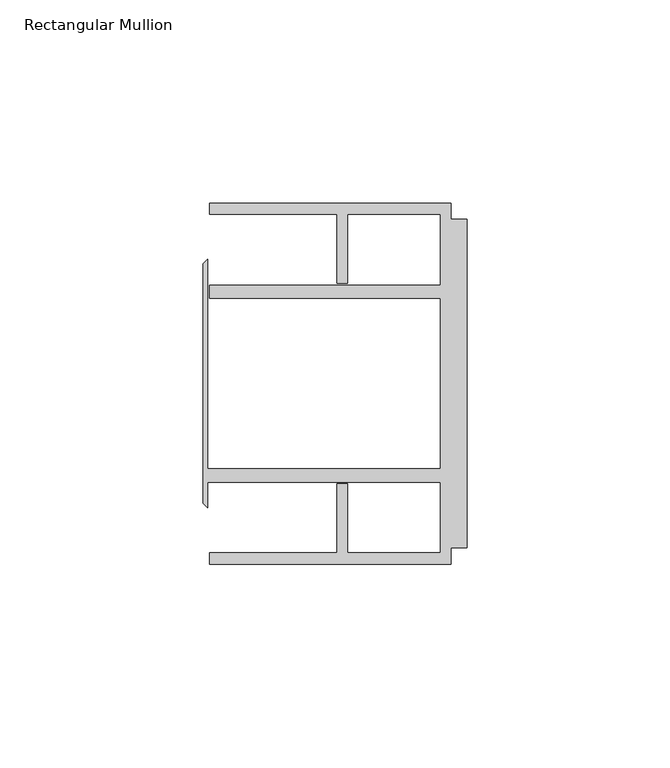
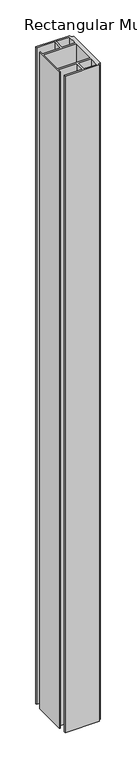
"""IFC4 building model written with IfcOpenShell, lengths in millimetres: member geometry, Rectangular Mullion."""

from ifc_helpers import new_model, si_unit, frame, origin, place, context, project, spatial, polyline, outline, extrude, source, transform, mapped, element, save


def rectangular_mullion_4d4c47f5(model_context):
    return source(origin(), model_context, "Body", "SweptSolid", [
        extrude(outline(polyline([(-4.0000001, 44.45), (-4.0000001, 40.4500013), (0.0, 40.4500013), (0.0, -40.4500013), (-4.0000001, -40.4500013), (-4.0000001, -44.45), (-63.5, -44.45), (-63.5, -41.6500013), (-32.0000002, -41.6500013), (-32.0000002, -24.6468758), (-29.4000001, -24.6468758), (-29.4000001, -41.6500013), (-6.6000002, -41.6500013), (-6.6000002, -24.2500008), (-63.9424102, -24.2500008), (-63.9424102, -30.6159585), (-65.0875, -29.4708687), (-65.0875, 29.4708687), (-63.9424102, 30.6159585), (-63.9424102, -20.9500007), (-6.6000002, -20.9500007), (-6.6000002, 20.9500007), (-63.5, 20.9500007), (-63.5, 24.2500008), (-6.6000002, 24.2500008), (-6.6000002, 41.6500013), (-29.4000001, 41.6500013), (-29.4000001, 24.6468758), (-32.0000002, 24.6468758), (-32.0000002, 41.6500013), (-63.5, 41.6500013), (-63.5, 44.45), (-4.0000001, 44.45)])), frame((0.0, 0.0, -1209.675), z_axis=(0.0, 0.0, 1.0), x_axis=(1.0, 0.0, 0.0)), (0.0, 0.0, 1.0), 1209.675),
    ])


if __name__ == "__main__":
    model = new_model("IFC4")
    model_context = context("Model", 3, world=origin())
    ifc_project = project(units=[si_unit("LENGTHUNIT", "METRE", prefix="MILLI")], contexts=[model_context])
    site = spatial("IfcSite", under=ifc_project)
    building = spatial("IfcBuilding", under=site)
    placement = place(None, origin())
    rectangular_mullion_shape = rectangular_mullion_4d4c47f5(model_context)
    element("IfcMember", 1, ObjectType="Rectangular Mullion", at=placement, inside=building, context=model_context, shape_type="MappedRepresentation", body=[
        mapped(rectangular_mullion_shape, transform((0.0, 0.0, 0.0), x_axis=(1.0, 0.0, 0.0), y_axis=(0.0, 1.0, 0.0), z_axis=(0.0, 0.0, 1.0))),
    ])
    save(model, "model.ifc")
